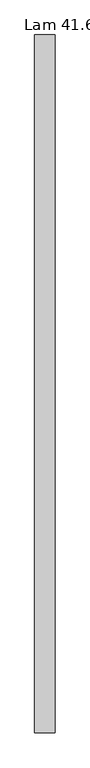
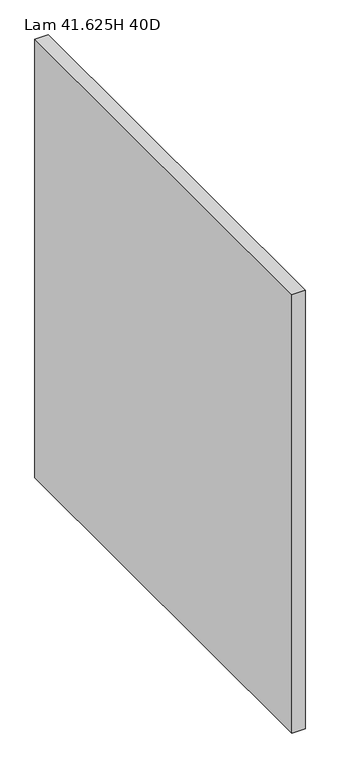
"""IFC4 building model written with IfcOpenShell, lengths in millimetres: furniture geometry, Lam 41.625H 40D."""

from ifc_helpers import new_model, si_unit, frame, origin, place, context, project, spatial, polyline, outline, extrude, source, transform, mapped, element, save


def lam_41_625h_40d_a1fedbb8(model_context):
    return source(origin(), model_context, "Body", "SweptSolid", [
        extrude(outline(polyline([(29.8704, -506.8824083), (0.0, -506.8824083), (0.0, 506.8824083), (29.8704, 506.8824083), (29.8704, -506.8824083)])), frame((0.0, 0.0, 3.175), z_axis=(0.0, 0.0, 1.0), x_axis=(1.0, 0.0, 0.0)), (0.0, 0.0, 1.0), 1055.7002),
    ])


if __name__ == "__main__":
    model = new_model("IFC4")
    model_context = context("Model", 3, world=origin())
    ifc_project = project(units=[si_unit("LENGTHUNIT", "METRE", prefix="MILLI")], contexts=[model_context])
    site = spatial("IfcSite", under=ifc_project)
    building = spatial("IfcBuilding", under=site)
    placement = place(None, origin())
    lam_41_625h_40d_shape = lam_41_625h_40d_a1fedbb8(model_context)
    element("IfcFurniture", 1, ObjectType="Lam 41.625H 40D", at=placement, inside=building, context=model_context, shape_type="MappedRepresentation", body=[
        mapped(lam_41_625h_40d_shape, transform((0.0, 0.0, 0.0), x_axis=(1.0, 0.0, 0.0), y_axis=(0.0, 1.0, 0.0), z_axis=(0.0, 0.0, 1.0))),
    ])
    save(model, "model.ifc")
